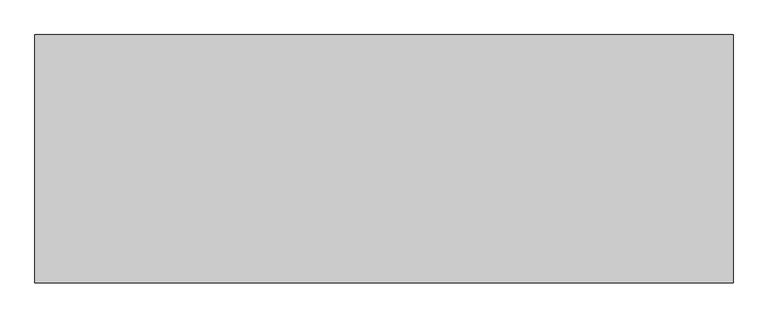
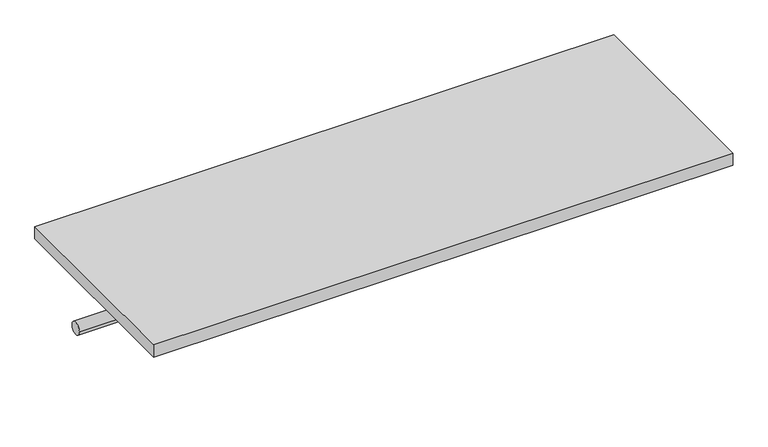
"""IFC4 building model written with IfcOpenShell, lengths in millimetres: furniture geometry."""

from ifc_helpers import new_model, si_unit, point, frame, frame_2d, origin, origin_with_axes, place, context, project, spatial, polyline, circle_curve, trimmed, segment, composite_curve, outline, extrude, source, transform, mapped, element, save


def furniture_eccd9605(model_context):
    return source(origin(), model_context, "Body", "SweptSolid", [
        extrude(outline(composite_curve([segment(trimmed(circle_curve(frame_2d((-342.9, -101.6)), 12.7), [point((-330.2, -101.6))], [point((-355.6, -101.6))], False, "CARTESIAN"), True, "CONTINUOUS"), segment(trimmed(circle_curve(frame_2d((-342.9, -101.6)), 12.7), [point((-355.6, -101.6))], [point((-330.2, -101.6))], False, "CARTESIAN"), True, "CONTINUOUS")], self_intersect=False)), frame((-552.7622951, 0.0, 0.0), z_axis=(1.0, 0.0, 0.0), x_axis=(0.0, 1.0, 0.0)), (0.0, 0.0, 1.0), 1143.0),
        extrude(outline(polyline([(590.2377049, -203.2), (590.2377049, -609.6), (-552.7622951, -609.6), (-552.7622951, -203.2), (590.2377049, -203.2)])), origin_with_axes(), (0.0, 0.0, 1.0), 25.4),
    ])


if __name__ == "__main__":
    model = new_model("IFC4")
    model_context = context("Model", 3, world=origin())
    ifc_project = project(units=[si_unit("LENGTHUNIT", "METRE", prefix="MILLI")], contexts=[model_context])
    site = spatial("IfcSite", under=ifc_project)
    building = spatial("IfcBuilding", under=site)
    placement = place(None, origin())
    furniture_shape = furniture_eccd9605(model_context)
    element("IfcFurniture", 1, at=placement, inside=building, context=model_context, shape_type="MappedRepresentation", body=[
        mapped(furniture_shape, transform((0.0, 0.0, 0.0), x_axis=(1.0, 0.0, 0.0), y_axis=(0.0, 1.0, 0.0), z_axis=(0.0, 0.0, 1.0))),
    ])
    save(model, "model.ifc")
